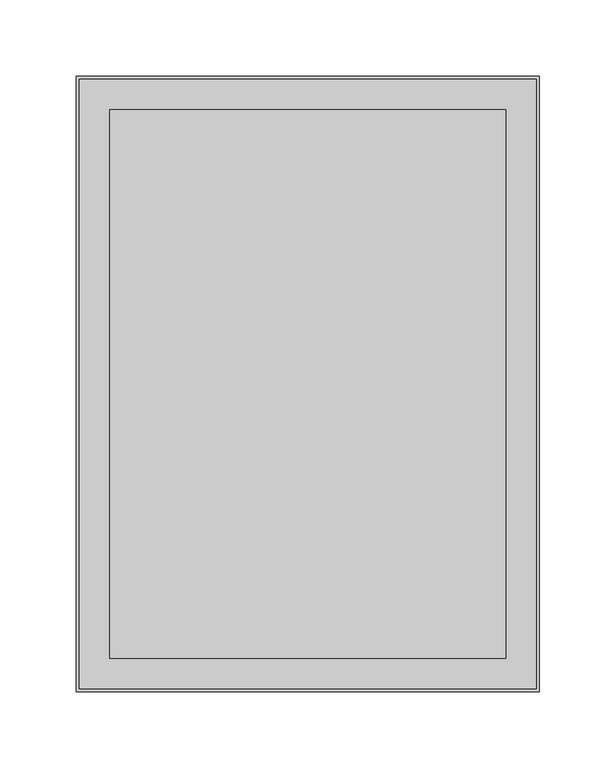
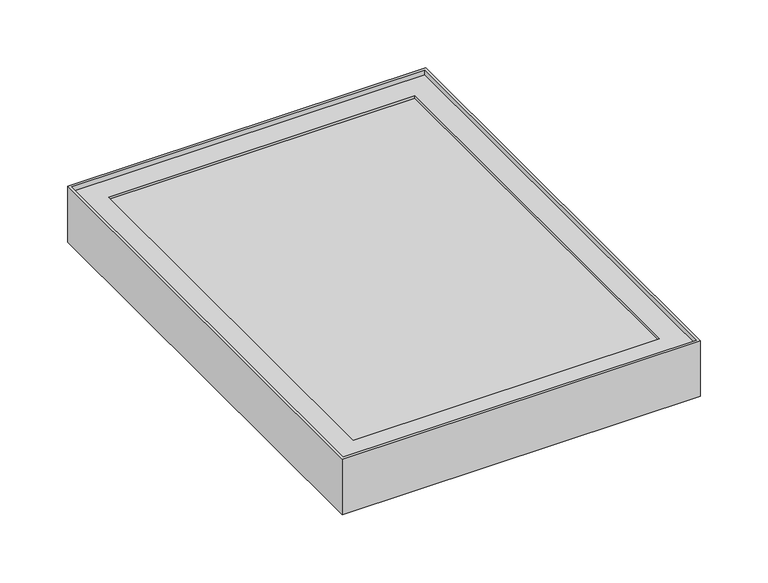
"""IFC4 building model written with IfcOpenShell, lengths in millimetres: proxy geometry."""

from ifc_helpers import new_model, si_unit, frame, origin, place, context, project, spatial, polyline, outline, extrude, faceted_brep, source, transform, mapped, element, save


def generic_models_8f9c2386(model_context):
    return source(origin(), model_context, "Body", "SolidModel", [
        extrude(outline(polyline([(-152.0, 202.0), (152.0, 202.0), (152.0, -202.0), (-152.0, -202.0), (-152.0, 202.0)]), holes=[polyline([(150.0, 200.0), (-150.0, 200.0), (-150.0, -200.0), (150.0, -200.0), (150.0, 200.0)])]), frame((0.0, 0.0, -51.0), z_axis=(0.0, 0.0, 1.0), x_axis=(1.0, 0.0, 0.0)), (0.0, 0.0, 1.0), 50.0),
        extrude(outline(polyline([(148.0, 198.0), (148.0, -198.0), (-148.0, -198.0), (-148.0, 198.0), (148.0, 198.0)])), frame((0.0, 0.0, -24.0), z_axis=(0.0, 0.0, 1.0), x_axis=(1.0, 0.0, 0.0)), (0.0, 0.0, 1.0), 16.0),
        faceted_brep([(150.0, 200.0, -27.0), (150.0, 200.0, -5.0), (150.0, -200.0, -5.0), (150.0, -200.0, -27.0), (130.0, 180.0, -25.0), (130.0, 180.0, -27.0), (130.0, -180.0, -27.0), (130.0, -180.0, -25.0), (148.0, 198.0, -7.0), (148.0, 198.0, -25.0), (148.0, -198.0, -25.0), (148.0, -198.0, -7.0), (130.0, 180.0, -5.0), (130.0, 180.0, -7.0), (130.0, -180.0, -7.0), (130.0, -180.0, -5.0), (-150.0, -200.0, -5.0), (-150.0, -200.0, -27.0), (-130.0, -180.0, -27.0), (-130.0, -180.0, -25.0), (-148.0, -198.0, -25.0), (-148.0, -198.0, -7.0), (-130.0, -180.0, -7.0), (-130.0, -180.0, -5.0), (-150.0, 200.0, -5.0), (-150.0, 200.0, -27.0), (-130.0, 180.0, -27.0), (-130.0, 180.0, -25.0), (-148.0, 198.0, -25.0), (-148.0, 198.0, -7.0), (-130.0, 180.0, -7.0), (-130.0, 180.0, -5.0)], [[[0, 1, 2, 3]], [[4, 5, 6, 7]], [[8, 9, 10, 11]], [[12, 13, 14, 15]], [[3, 2, 16, 17]], [[7, 6, 18, 19]], [[11, 10, 20, 21]], [[15, 14, 22, 23]], [[17, 16, 24, 25]], [[19, 18, 26, 27]], [[21, 20, 28, 29]], [[23, 22, 30, 31]], [[1, 24, 16, 2], [15, 23, 31, 12]], [[25, 24, 1, 0]], [[3, 17, 25, 0], [5, 26, 18, 6]], [[27, 26, 5, 4]], [[9, 28, 20, 10], [7, 19, 27, 4]], [[29, 28, 9, 8]], [[11, 21, 29, 8], [13, 30, 22, 14]], [[31, 30, 13, 12]]]),
    ])


if __name__ == "__main__":
    model = new_model("IFC4")
    model_context = context("Model", 3, world=origin())
    ifc_project = project(units=[si_unit("LENGTHUNIT", "METRE", prefix="MILLI")], contexts=[model_context])
    site = spatial("IfcSite", under=ifc_project)
    building = spatial("IfcBuilding", under=site)
    placement = place(None, origin())
    generic_models_shape = generic_models_8f9c2386(model_context)
    element("IfcBuildingElementProxy", 1, Name="Generic Models", at=placement, inside=building, context=model_context, shape_type="MappedRepresentation", body=[
        mapped(generic_models_shape, transform((0.0, 0.0, 0.0), x_axis=(1.0, 0.0, 0.0), y_axis=(0.0, 1.0, 0.0), z_axis=(0.0, 0.0, 1.0))),
    ])
    save(model, "model.ifc")
